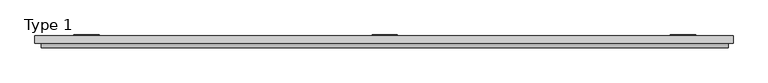
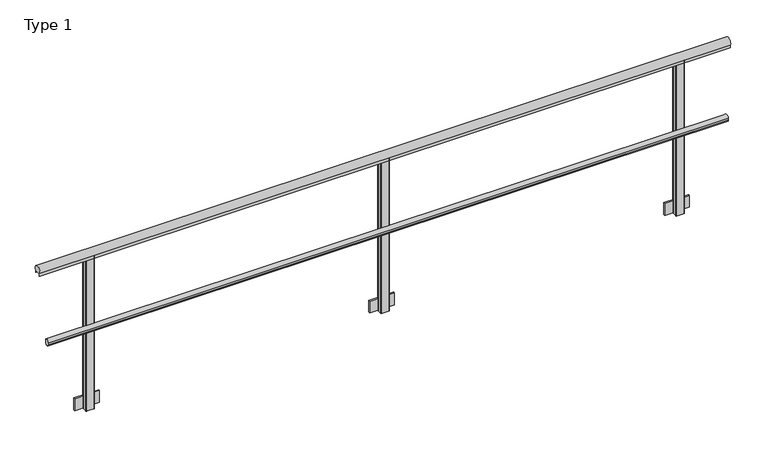
"""IFC4 building model written with IfcOpenShell, lengths in millimetres: railing geometry, Type 1."""

from ifc_helpers import new_model, si_unit, point, frame, frame_2d, origin, place, context, project, spatial, polyline, circle_curve, trimmed, segment, composite_curve, outline, extrude, source, transform, mapped, element, save


def type_1_2ae6f9ed(model_context):
    return source(origin(), model_context, "Body", "SweptSolid", [
        extrude(outline(composite_curve([segment(polyline([(-34.3, 480.617273), (-30.3, 480.617273), (-30.3, 495.382727), (-34.3, 495.382727)]), True, "CONTINUOUS"), segment(trimmed(circle_curve(frame_2d((-15.712495, 488.0)), 20.0), [point((-34.3, 495.382727))], [point((0.0, 500.3740657))], False, "CARTESIAN"), True, "CONTINUOUS"), segment(polyline([(0.0, 500.3740657), (0.0, 475.6259343)]), True, "CONTINUOUS"), segment(trimmed(circle_curve(frame_2d((-15.712495, 488.0)), 20.0), [point((0.0, 475.6259343))], [point((-34.3, 480.617273))], False, "CARTESIAN"), True, "CONTINUOUS")], self_intersect=False)), frame((-260.0, 0.0, 0.0), z_axis=(1.0, 0.0, 0.0), x_axis=(0.0, 1.0, 0.0)), (0.0, 0.0, 1.0), 4360.0),
        extrude(outline(composite_curve([segment(polyline([(40.0, 961.43534), (40.0, 943.0), (39.0, 943.0), (39.0, 958.0), (-1.0, 958.0), (-1.0, 943.0), (-2.0, 943.0), (-2.0, 961.43534)]), True, "CONTINUOUS"), segment(trimmed(circle_curve(frame_2d((19.0, 975.0)), 25.0), [point((-2.0, 961.43534))], [point((40.0, 961.43534))], False, "CARTESIAN"), True, "CONTINUOUS")], self_intersect=False)), frame((-300.0, 0.0, 0.0), z_axis=(1.0, 0.0, 0.0), x_axis=(0.0, 1.0, 0.0)), (0.0, 0.0, 1.0), 4430.0),
        extrude(outline(polyline([(2000.0, 48.5), (2000.0, 38.0), (1840.0, 38.0), (1840.0, 48.5), (2000.0, 48.5)])), frame((0.0, 0.0, -80.0), z_axis=(0.0, 0.0, 1.0), x_axis=(1.0, 0.0, 0.0)), (0.0, 0.0, 1.0), 80.0),
        extrude(outline(composite_curve([segment(polyline([(1897.0, 38.0), (1943.0, 38.0)]), True, "CONTINUOUS"), segment(trimmed(circle_curve(frame_2d((1943.0, 33.0)), 5.0), [point((1943.0, 38.0))], [point((1948.0, 33.0))], False, "CARTESIAN"), True, "CONTINUOUS"), segment(polyline([(1948.0, 33.0), (1948.0, 5.0)]), True, "CONTINUOUS"), segment(trimmed(circle_curve(frame_2d((1943.0, 5.0)), 5.0), [point((1948.0, 5.0))], [point((1943.0, 0.0))], False, "CARTESIAN"), True, "CONTINUOUS"), segment(polyline([(1943.0, 0.0), (1897.0, 0.0)]), True, "CONTINUOUS"), segment(trimmed(circle_curve(frame_2d((1897.0, 5.0)), 5.0), [point((1897.0, 0.0))], [point((1892.0, 5.0))], False, "CARTESIAN"), True, "CONTINUOUS"), segment(polyline([(1892.0, 5.0), (1892.0, 33.0)]), True, "CONTINUOUS"), segment(trimmed(circle_curve(frame_2d((1897.0, 33.0)), 5.0), [point((1892.0, 33.0))], [point((1897.0, 38.0))], False, "CARTESIAN"), True, "CONTINUOUS")], self_intersect=False)), frame((0.0, 0.0, -80.0), z_axis=(0.0, 0.0, 1.0), x_axis=(1.0, 0.0, 0.0)), (0.0, 0.0, 1.0), 1038.0),
        extrude(outline(polyline([(3892.0, 48.5), (3892.0, 38.0), (3732.0, 38.0), (3732.0, 48.5), (3892.0, 48.5)])), frame((0.0, 0.0, -80.0), z_axis=(0.0, 0.0, 1.0), x_axis=(1.0, 0.0, 0.0)), (0.0, 0.0, 1.0), 80.0),
        extrude(outline(composite_curve([segment(polyline([(3789.0, 38.0), (3835.0, 38.0)]), True, "CONTINUOUS"), segment(trimmed(circle_curve(frame_2d((3835.0, 33.0)), 5.0), [point((3835.0, 38.0))], [point((3840.0, 33.0))], False, "CARTESIAN"), True, "CONTINUOUS"), segment(polyline([(3840.0, 33.0), (3840.0, 5.0)]), True, "CONTINUOUS"), segment(trimmed(circle_curve(frame_2d((3835.0, 5.0)), 5.0), [point((3840.0, 5.0))], [point((3835.0, 0.0))], False, "CARTESIAN"), True, "CONTINUOUS"), segment(polyline([(3835.0, 0.0), (3789.0, 0.0)]), True, "CONTINUOUS"), segment(trimmed(circle_curve(frame_2d((3789.0, 5.0)), 5.0), [point((3789.0, 0.0))], [point((3784.0, 5.0))], False, "CARTESIAN"), True, "CONTINUOUS"), segment(polyline([(3784.0, 5.0), (3784.0, 33.0)]), True, "CONTINUOUS"), segment(trimmed(circle_curve(frame_2d((3789.0, 33.0)), 5.0), [point((3784.0, 33.0))], [point((3789.0, 38.0))], False, "CARTESIAN"), True, "CONTINUOUS")], self_intersect=False)), frame((0.0, 0.0, -80.0), z_axis=(0.0, 0.0, 1.0), x_axis=(1.0, 0.0, 0.0)), (0.0, 0.0, 1.0), 1038.0),
        extrude(outline(polyline([(108.0, 48.5), (108.0, 38.0), (-52.0, 38.0), (-52.0, 48.5), (108.0, 48.5)])), frame((0.0, 0.0, -80.0), z_axis=(0.0, 0.0, 1.0), x_axis=(1.0, 0.0, 0.0)), (0.0, 0.0, 1.0), 80.0),
        extrude(outline(composite_curve([segment(polyline([(5.0, 38.0), (51.0, 38.0)]), True, "CONTINUOUS"), segment(trimmed(circle_curve(frame_2d((51.0, 33.0)), 5.0), [point((51.0, 38.0))], [point((56.0, 33.0))], False, "CARTESIAN"), True, "CONTINUOUS"), segment(polyline([(56.0, 33.0), (56.0, 5.0)]), True, "CONTINUOUS"), segment(trimmed(circle_curve(frame_2d((51.0, 5.0)), 5.0), [point((56.0, 5.0))], [point((51.0, 0.0))], False, "CARTESIAN"), True, "CONTINUOUS"), segment(polyline([(51.0, 0.0), (5.0, 0.0)]), True, "CONTINUOUS"), segment(trimmed(circle_curve(frame_2d((5.0, 5.0)), 5.0), [point((5.0, 0.0))], [point((0.0, 5.0))], False, "CARTESIAN"), True, "CONTINUOUS"), segment(polyline([(0.0, 5.0), (0.0, 33.0)]), True, "CONTINUOUS"), segment(trimmed(circle_curve(frame_2d((5.0, 33.0)), 5.0), [point((0.0, 33.0))], [point((5.0, 38.0))], False, "CARTESIAN"), True, "CONTINUOUS")], self_intersect=False)), frame((0.0, 0.0, -80.0), z_axis=(0.0, 0.0, 1.0), x_axis=(1.0, 0.0, 0.0)), (0.0, 0.0, 1.0), 1038.0),
    ])


if __name__ == "__main__":
    model = new_model("IFC4")
    model_context = context("Model", 3, world=origin())
    ifc_project = project(units=[si_unit("LENGTHUNIT", "METRE", prefix="MILLI")], contexts=[model_context])
    site = spatial("IfcSite", under=ifc_project)
    building = spatial("IfcBuilding", under=site)
    placement = place(None, origin())
    type_1_shape = type_1_2ae6f9ed(model_context)
    element("IfcRailing", 1, ObjectType="Type 1", at=placement, inside=building, context=model_context, shape_type="MappedRepresentation", body=[
        mapped(type_1_shape, transform((0.0, 0.0, 0.0), x_axis=(1.0, 0.0, 0.0), y_axis=(0.0, 1.0, 0.0), z_axis=(0.0, 0.0, 1.0))),
    ])
    save(model, "model.ifc")
